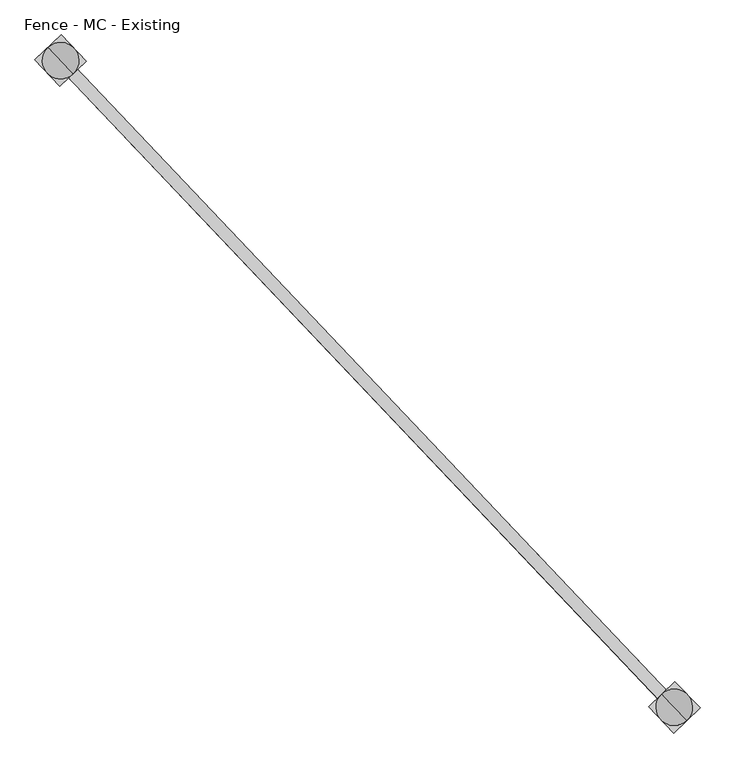
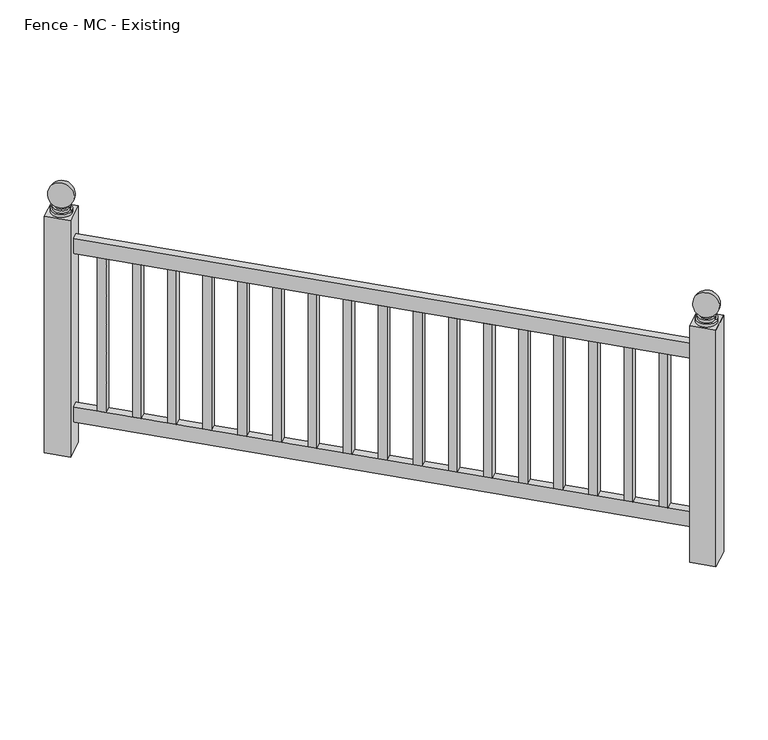
"""IFC4 building model written with IfcOpenShell, lengths in millimetres: railing geometry, Fence - MC - Existing."""

from ifc_helpers import new_model, si_unit, point, frame, origin, place, context, project, spatial, polyline, circle_curve, ellipse_curve, trimmed, outline, extrude, source, transform, mapped, element, save
from ifc_brep_helpers import plane_surface, cylinder_surface, revolved_surface, advanced_brep


def fence_mc_existing_c6e7d695(model_context):
    return source(origin(), model_context, "Body", "SolidModel", [
        extrude(outline(polyline([(119780.4642403, 49233.3136389), (119762.0397312, 49215.8294327), (118476.9505739, 50570.030846), (118495.3750829, 50587.5150522), (119780.4642403, 49233.3136389)])), frame((0.0, 0.0, 27660.6), z_axis=(0.0, 0.0, 1.0), x_axis=(1.0, 0.0, 0.0)), (0.0, 0.0, 1.0), 50.8),
        extrude(outline(polyline([(119780.4642403, 49233.3136389), (119762.0397312, 49215.8294327), (118476.9505739, 50570.030846), (118495.3750829, 50587.5150522), (119780.4642403, 49233.3136389)])), frame((0.0, 0.0, 27089.1), z_axis=(0.0, 0.0, 1.0), x_axis=(1.0, 0.0, 0.0)), (0.0, 0.0, 1.0), 50.8),
        extrude(outline(polyline([(118517.2303407, 50564.4844159), (118498.8058317, 50547.0002097), (118481.3216254, 50565.4247187), (118499.7461345, 50582.9089249), (118517.2303407, 50564.4844159)])), frame((0.0, 0.0, 27139.9), z_axis=(0.0, 0.0, 1.0), x_axis=(1.0, 0.0, 0.0)), (0.0, 0.0, 1.0), 520.7),
        extrude(outline(polyline([(118587.1671656, 50490.7863798), (118568.7426565, 50473.3021736), (118551.2584503, 50491.7266826), (118569.6829593, 50509.2108888), (118587.1671656, 50490.7863798)])), frame((0.0, 0.0, 27139.9), z_axis=(0.0, 0.0, 1.0), x_axis=(1.0, 0.0, 0.0)), (0.0, 0.0, 1.0), 520.7),
        extrude(outline(polyline([(118657.1039905, 50417.0883437), (118638.6794814, 50399.6041375), (118621.1952752, 50418.0286465), (118639.6197842, 50435.5128527), (118657.1039905, 50417.0883437)])), frame((0.0, 0.0, 27139.9), z_axis=(0.0, 0.0, 1.0), x_axis=(1.0, 0.0, 0.0)), (0.0, 0.0, 1.0), 520.7),
        extrude(outline(polyline([(118727.0408153, 50343.3903076), (118708.6163063, 50325.9061014), (118691.1321001, 50344.3306104), (118709.5566091, 50361.8148166), (118727.0408153, 50343.3903076)])), frame((0.0, 0.0, 27139.9), z_axis=(0.0, 0.0, 1.0), x_axis=(1.0, 0.0, 0.0)), (0.0, 0.0, 1.0), 520.7),
        extrude(outline(polyline([(118796.9776402, 50269.6922715), (118778.5531312, 50252.2080653), (118761.068925, 50270.6325743), (118779.493434, 50288.1167806), (118796.9776402, 50269.6922715)])), frame((0.0, 0.0, 27139.9), z_axis=(0.0, 0.0, 1.0), x_axis=(1.0, 0.0, 0.0)), (0.0, 0.0, 1.0), 520.7),
        extrude(outline(polyline([(118866.9144651, 50195.9942354), (118848.4899561, 50178.5100292), (118831.0057499, 50196.9345382), (118849.4302589, 50214.4187445), (118866.9144651, 50195.9942354)])), frame((0.0, 0.0, 27139.9), z_axis=(0.0, 0.0, 1.0), x_axis=(1.0, 0.0, 0.0)), (0.0, 0.0, 1.0), 520.7),
        extrude(outline(polyline([(118936.85129, 50122.2961993), (118918.426781, 50104.8119931), (118900.9425748, 50123.2365021), (118919.3670838, 50140.7207084), (118936.85129, 50122.2961993)])), frame((0.0, 0.0, 27139.9), z_axis=(0.0, 0.0, 1.0), x_axis=(1.0, 0.0, 0.0)), (0.0, 0.0, 1.0), 520.7),
        extrude(outline(polyline([(119006.7881149, 50048.5981632), (118988.3636059, 50031.113957), (118970.8793997, 50049.538466), (118989.3039087, 50067.0226723), (119006.7881149, 50048.5981632)])), frame((0.0, 0.0, 27139.9), z_axis=(0.0, 0.0, 1.0), x_axis=(1.0, 0.0, 0.0)), (0.0, 0.0, 1.0), 520.7),
        extrude(outline(polyline([(119076.7249398, 49974.9001271), (119058.3004308, 49957.4159209), (119040.8162246, 49975.8404299), (119059.2407336, 49993.3246362), (119076.7249398, 49974.9001271)])), frame((0.0, 0.0, 27139.9), z_axis=(0.0, 0.0, 1.0), x_axis=(1.0, 0.0, 0.0)), (0.0, 0.0, 1.0), 520.7),
        extrude(outline(polyline([(119146.6617647, 49901.2020911), (119128.2372557, 49883.7178848), (119110.7530494, 49902.1423939), (119129.1775585, 49919.6266001), (119146.6617647, 49901.2020911)])), frame((0.0, 0.0, 27139.9), z_axis=(0.0, 0.0, 1.0), x_axis=(1.0, 0.0, 0.0)), (0.0, 0.0, 1.0), 520.7),
        extrude(outline(polyline([(119216.5985896, 49827.504055), (119198.1740806, 49810.0198487), (119180.6898743, 49828.4443578), (119199.1143834, 49845.928564), (119216.5985896, 49827.504055)])), frame((0.0, 0.0, 27139.9), z_axis=(0.0, 0.0, 1.0), x_axis=(1.0, 0.0, 0.0)), (0.0, 0.0, 1.0), 520.7),
        extrude(outline(polyline([(119286.5354145, 49753.8060189), (119268.1109054, 49736.3218126), (119250.6266992, 49754.7463217), (119269.0512083, 49772.2305279), (119286.5354145, 49753.8060189)])), frame((0.0, 0.0, 27139.9), z_axis=(0.0, 0.0, 1.0), x_axis=(1.0, 0.0, 0.0)), (0.0, 0.0, 1.0), 520.7),
        extrude(outline(polyline([(119356.4722394, 49680.1079828), (119338.0477303, 49662.6237765), (119320.5635241, 49681.0482856), (119338.9880331, 49698.5324918), (119356.4722394, 49680.1079828)])), frame((0.0, 0.0, 27139.9), z_axis=(0.0, 0.0, 1.0), x_axis=(1.0, 0.0, 0.0)), (0.0, 0.0, 1.0), 520.7),
        extrude(outline(polyline([(119426.4090643, 49606.4099467), (119407.9845552, 49588.9257405), (119390.500349, 49607.3502495), (119408.924858, 49624.8344557), (119426.4090643, 49606.4099467)])), frame((0.0, 0.0, 27139.9), z_axis=(0.0, 0.0, 1.0), x_axis=(1.0, 0.0, 0.0)), (0.0, 0.0, 1.0), 520.7),
        extrude(outline(polyline([(119496.3458891, 49532.7119106), (119477.9213801, 49515.2277044), (119460.4371739, 49533.6522134), (119478.8616829, 49551.1364196), (119496.3458891, 49532.7119106)])), frame((0.0, 0.0, 27139.9), z_axis=(0.0, 0.0, 1.0), x_axis=(1.0, 0.0, 0.0)), (0.0, 0.0, 1.0), 520.7),
        extrude(outline(polyline([(119566.282714, 49459.0138745), (119547.858205, 49441.5296683), (119530.3739988, 49459.9541773), (119548.7985078, 49477.4383835), (119566.282714, 49459.0138745)])), frame((0.0, 0.0, 27139.9), z_axis=(0.0, 0.0, 1.0), x_axis=(1.0, 0.0, 0.0)), (0.0, 0.0, 1.0), 520.7),
        extrude(outline(polyline([(119636.2195389, 49385.3158384), (119617.7950299, 49367.8316322), (119600.3108237, 49386.2561412), (119618.7353327, 49403.7403474), (119636.2195389, 49385.3158384)])), frame((0.0, 0.0, 27139.9), z_axis=(0.0, 0.0, 1.0), x_axis=(1.0, 0.0, 0.0)), (0.0, 0.0, 1.0), 520.7),
        extrude(outline(polyline([(119706.1563638, 49311.6178023), (119687.7318548, 49294.1335961), (119670.2476486, 49312.5581051), (119688.6721576, 49330.0423113), (119706.1563638, 49311.6178023)])), frame((0.0, 0.0, 27139.9), z_axis=(0.0, 0.0, 1.0), x_axis=(1.0, 0.0, 0.0)), (0.0, 0.0, 1.0), 520.7),
        extrude(outline(polyline([(119776.0931887, 49237.9197662), (119757.6686797, 49220.43556), (119740.1844735, 49238.860069), (119758.6089825, 49256.3442752), (119776.0931887, 49237.9197662)])), frame((0.0, 0.0, 27139.9), z_axis=(0.0, 0.0, 1.0), x_axis=(1.0, 0.0, 0.0)), (0.0, 0.0, 1.0), 520.7),
        advanced_brep(
        [(118464.3075706, 50601.8035854, 27787.6), (118508.0180862, 50555.7423128, 27787.6), (118486.1628284, 50578.7729491, 27787.6), (118464.3075706, 50601.8035854, 27797.125), (118508.0180862, 50555.7423128, 27797.125), (118468.6786222, 50597.1974581, 27797.125), (118503.6470346, 50560.3484401, 27797.125), (118468.6786222, 50597.1974581, 27806.65), (118503.6470346, 50560.3484401, 27806.65), (118473.0496737, 50592.5913308, 27806.65), (118499.2759831, 50564.9545673, 27806.65), (118473.0496737, 50592.5913308, 27811.7544321), (118499.2759831, 50564.9545673, 27811.7544321), (118486.1628284, 50578.7729491, 27882.85)],
        [
            (0, 1, circle_curve(frame((118486.1628284, 50578.7729491, 27787.6), z_axis=(0.0, 0.0, -1.0), x_axis=(0.6883545756937386, -0.7253743710123023, 0.0)), 31.75)),
            (1, 2),
            (2, 0),
            (1, 0, circle_curve(frame((118486.1628284, 50578.7729491, 27787.6), z_axis=(0.0, 0.0, -1.0), x_axis=(0.6883545756937386, -0.7253743710123023, 0.0)), 31.75)),
            (0, 3),
            (3, 4, circle_curve(frame((118486.1628284, 50578.7729491, 27797.125), z_axis=(0.0, 0.0, -1.0), x_axis=(0.6883545756937386, -0.7253743710123023, 0.0)), 31.75)),
            (4, 1),
            (4, 3, circle_curve(frame((118486.1628284, 50578.7729491, 27797.125), z_axis=(0.0, 0.0, -1.0), x_axis=(0.6883545756937386, -0.7253743710123023, 0.0)), 31.75)),
            (3, 5),
            (5, 6, circle_curve(frame((118486.1628284, 50578.7729491, 27797.125), z_axis=(0.0, 0.0, -1.0), x_axis=(0.6883545756937386, -0.7253743710123023, 0.0)), 25.4)),
            (6, 4),
            (6, 5, circle_curve(frame((118486.1628284, 50578.7729491, 27797.125), z_axis=(0.0, 0.0, -1.0), x_axis=(0.6883545756937386, -0.7253743710123023, 0.0)), 25.4)),
            (5, 7),
            (7, 8, circle_curve(frame((118486.1628284, 50578.7729491, 27806.65), z_axis=(0.0, 0.0, -1.0), x_axis=(0.6883545756937386, -0.7253743710123023, 0.0)), 25.4)),
            (8, 6),
            (8, 7, circle_curve(frame((118486.1628284, 50578.7729491, 27806.65), z_axis=(0.0, 0.0, -1.0), x_axis=(0.6883545756937386, -0.7253743710123023, 0.0)), 25.4)),
            (7, 9),
            (9, 10, circle_curve(frame((118486.1628284, 50578.7729491, 27806.65), z_axis=(0.0, 0.0, -1.0), x_axis=(0.6883545756937386, -0.7253743710123023, 0.0)), 19.05)),
            (10, 8),
            (10, 9, circle_curve(frame((118486.1628284, 50578.7729491, 27806.65), z_axis=(0.0, 0.0, -1.0), x_axis=(0.6883545756937386, -0.7253743710123023, 0.0)), 19.05)),
            (9, 11),
            (11, 12, circle_curve(frame((118486.1628284, 50578.7729491, 27811.7544321), z_axis=(0.0, 0.0, -1.0), x_axis=(0.6883545756937386, -0.7253743710123023, 0.0)), 19.05)),
            (12, 10),
            (12, 11, circle_curve(frame((118486.1628284, 50578.7729491, 27811.7544321), z_axis=(0.0, 0.0, -1.0), x_axis=(0.6883545756937386, -0.7253743710123023, 0.0)), 19.05)),
            (11, 13, circle_curve(frame((118486.1628284, 50578.7729491, 27844.75), z_axis=(0.7253743710123045, 0.6883545756937363, 0.0), x_axis=(-0.6883545756937363, 0.7253743710123045, 0.0)), 38.1)),
            (13, 12, circle_curve(frame((118486.1628284, 50578.7729491, 27844.75), z_axis=(0.7253743710123023, 0.6883545756937386, 0.0), x_axis=(0.6883545756937386, -0.7253743710123023, 0.0)), 38.1)),
        ],
        [
            plane_surface(frame((118486.1628284, 50578.7729491, 27787.6), z_axis=(0.0, 0.0, -1.0), x_axis=(0.6883545756937386, -0.7253743710123023, 0.0))),
            cylinder_surface(frame((118486.1628284, 50578.7729491, 27787.6), z_axis=(0.0, 0.0, 1.0), x_axis=(0.6883545756937386, -0.7253743710123023, 0.0)), 31.75),
            plane_surface(frame((118486.1628284, 50578.7729491, 27797.125), z_axis=(0.0, 0.0, 1.0), x_axis=(0.6883545756937386, -0.7253743710123023, 0.0))),
            cylinder_surface(frame((118486.1628284, 50578.7729491, 27787.6), z_axis=(0.0, 0.0, 1.0), x_axis=(0.6883545756937386, -0.7253743710123023, 0.0)), 25.4),
            plane_surface(frame((118486.1628284, 50578.7729491, 27806.65), z_axis=(0.0, 0.0, 1.0), x_axis=(0.6883545756937386, -0.7253743710123023, 0.0))),
            cylinder_surface(frame((118486.1628284, 50578.7729491, 27787.6), z_axis=(0.0, 0.0, 1.0), x_axis=(0.6883545756937386, -0.7253743710123023, 0.0)), 19.05),
            revolved_surface(trimmed(ellipse_curve(frame((118486.1628284, 50578.7729491, 27844.75), z_axis=(-0.7253743710123023, -0.6883545756937386, 0.0), x_axis=(0.6883545756937386, -0.7253743710123023, 0.0)), 38.1, 38.1), [point((118499.2759831, 50564.9545673, 27811.7544321))], [point((118486.1628284, 50578.7729491, 27882.85))], True, "CARTESIAN"), (118486.1628284, 50578.7729491, 27787.6), (0.0, 0.0, 1.0)),
        ],
        [
            (0, [[1, 2, 3]]),
            (0, [[-2, 4, -3]]),
            (1, [[-1, 5, 6, 7]]),
            (1, [[-4, -7, 8, -5]]),
            (2, [[-6, 9, 10, 11]]),
            (2, [[-8, -11, 12, -9]]),
            (3, [[-10, 13, 14, 15]]),
            (3, [[-12, -15, 16, -13]]),
            (4, [[-14, 17, 18, 19]]),
            (4, [[-16, -19, 20, -17]]),
            (5, [[-18, 21, 22, 23]]),
            (5, [[-20, -23, 24, -21]]),
            (6, [[-22, 25, 26]]),
            (6, [[-24, -26, -25]]),
        ],
    ),
        extrude(outline(polyline([(118484.7523742, 50524.9098762), (118432.2997555, 50580.1834033), (118487.5732826, 50632.6360219), (118540.0259013, 50577.3624949), (118484.7523742, 50524.9098762)])), frame((0.0, 0.0, 26987.5), z_axis=(0.0, 0.0, 1.0), x_axis=(1.0, 0.0, 0.0)), (0.0, 0.0, 1.0), 800.1),
        advanced_brep(
        [(119749.396728, 49247.6021721, 27787.6), (119793.1072435, 49201.5408996, 27787.6), (119771.2519858, 49224.5715358, 27787.6), (119749.396728, 49247.6021721, 27797.125), (119793.1072435, 49201.5408996, 27797.125), (119753.7677795, 49242.9960449, 27797.125), (119788.736192, 49206.1470268, 27797.125), (119753.7677795, 49242.9960449, 27806.65), (119788.736192, 49206.1470268, 27806.65), (119758.1388311, 49238.3899176, 27806.65), (119784.3651404, 49210.7531541, 27806.65), (119758.1388311, 49238.3899176, 27811.7544321), (119784.3651404, 49210.7531541, 27811.7544321), (119771.2519858, 49224.5715358, 27882.85)],
        [
            (0, 1, circle_curve(frame((119771.2519858, 49224.5715358, 27787.6), z_axis=(0.0, 0.0, -1.0), x_axis=(0.6883545756937386, -0.7253743710123023, 0.0)), 31.75)),
            (1, 2),
            (2, 0),
            (1, 0, circle_curve(frame((119771.2519858, 49224.5715358, 27787.6), z_axis=(0.0, 0.0, -1.0), x_axis=(0.6883545756937386, -0.7253743710123023, 0.0)), 31.75)),
            (0, 3),
            (3, 4, circle_curve(frame((119771.2519858, 49224.5715358, 27797.125), z_axis=(0.0, 0.0, -1.0), x_axis=(0.6883545756937386, -0.7253743710123023, 0.0)), 31.75)),
            (4, 1),
            (4, 3, circle_curve(frame((119771.2519858, 49224.5715358, 27797.125), z_axis=(0.0, 0.0, -1.0), x_axis=(0.6883545756937386, -0.7253743710123023, 0.0)), 31.75)),
            (3, 5),
            (5, 6, circle_curve(frame((119771.2519858, 49224.5715358, 27797.125), z_axis=(0.0, 0.0, -1.0), x_axis=(0.6883545756937386, -0.7253743710123023, 0.0)), 25.4)),
            (6, 4),
            (6, 5, circle_curve(frame((119771.2519858, 49224.5715358, 27797.125), z_axis=(0.0, 0.0, -1.0), x_axis=(0.6883545756937386, -0.7253743710123023, 0.0)), 25.4)),
            (5, 7),
            (7, 8, circle_curve(frame((119771.2519858, 49224.5715358, 27806.65), z_axis=(0.0, 0.0, -1.0), x_axis=(0.6883545756937386, -0.7253743710123023, 0.0)), 25.4)),
            (8, 6),
            (8, 7, circle_curve(frame((119771.2519858, 49224.5715358, 27806.65), z_axis=(0.0, 0.0, -1.0), x_axis=(0.6883545756937386, -0.7253743710123023, 0.0)), 25.4)),
            (7, 9),
            (9, 10, circle_curve(frame((119771.2519858, 49224.5715358, 27806.65), z_axis=(0.0, 0.0, -1.0), x_axis=(0.6883545756937386, -0.7253743710123023, 0.0)), 19.05)),
            (10, 8),
            (10, 9, circle_curve(frame((119771.2519858, 49224.5715358, 27806.65), z_axis=(0.0, 0.0, -1.0), x_axis=(0.6883545756937386, -0.7253743710123023, 0.0)), 19.05)),
            (9, 11),
            (11, 12, circle_curve(frame((119771.2519858, 49224.5715358, 27811.7544321), z_axis=(0.0, 0.0, -1.0), x_axis=(0.6883545756937386, -0.7253743710123023, 0.0)), 19.05)),
            (12, 10),
            (12, 11, circle_curve(frame((119771.2519858, 49224.5715358, 27811.7544321), z_axis=(0.0, 0.0, -1.0), x_axis=(0.6883545756937386, -0.7253743710123023, 0.0)), 19.05)),
            (11, 13, circle_curve(frame((119771.2519858, 49224.5715358, 27844.75), z_axis=(0.7253743710123045, 0.6883545756937363, 0.0), x_axis=(-0.6883545756937363, 0.7253743710123045, 0.0)), 38.1)),
            (13, 12, circle_curve(frame((119771.2519858, 49224.5715358, 27844.75), z_axis=(0.7253743710123023, 0.6883545756937386, 0.0), x_axis=(0.6883545756937386, -0.7253743710123023, 0.0)), 38.1)),
        ],
        [
            plane_surface(frame((119771.2519858, 49224.5715358, 27787.6), z_axis=(0.0, 0.0, -1.0), x_axis=(0.6883545756937386, -0.7253743710123023, 0.0))),
            cylinder_surface(frame((119771.2519858, 49224.5715358, 27787.6), z_axis=(0.0, 0.0, 1.0), x_axis=(0.6883545756937386, -0.7253743710123023, 0.0)), 31.75),
            plane_surface(frame((119771.2519858, 49224.5715358, 27797.125), z_axis=(0.0, 0.0, 1.0), x_axis=(0.6883545756937386, -0.7253743710123023, 0.0))),
            cylinder_surface(frame((119771.2519858, 49224.5715358, 27787.6), z_axis=(0.0, 0.0, 1.0), x_axis=(0.6883545756937386, -0.7253743710123023, 0.0)), 25.4),
            plane_surface(frame((119771.2519858, 49224.5715358, 27806.65), z_axis=(0.0, 0.0, 1.0), x_axis=(0.6883545756937386, -0.7253743710123023, 0.0))),
            cylinder_surface(frame((119771.2519858, 49224.5715358, 27787.6), z_axis=(0.0, 0.0, 1.0), x_axis=(0.6883545756937386, -0.7253743710123023, 0.0)), 19.05),
            revolved_surface(trimmed(ellipse_curve(frame((119771.2519858, 49224.5715358, 27844.75), z_axis=(-0.7253743710123023, -0.6883545756937386, 0.0), x_axis=(0.6883545756937386, -0.7253743710123023, 0.0)), 38.1, 38.1), [point((119784.3651404, 49210.7531541, 27811.7544321))], [point((119771.2519858, 49224.5715358, 27882.85))], True, "CARTESIAN"), (119771.2519858, 49224.5715358, 27787.6), (0.0, 0.0, 1.0)),
        ],
        [
            (0, [[1, 2, 3]]),
            (0, [[-2, 4, -3]]),
            (1, [[-1, 5, 6, 7]]),
            (1, [[-4, -7, 8, -5]]),
            (2, [[-6, 9, 10, 11]]),
            (2, [[-8, -11, 12, -9]]),
            (3, [[-10, 13, 14, 15]]),
            (3, [[-12, -15, 16, -13]]),
            (4, [[-14, 17, 18, 19]]),
            (4, [[-16, -19, 20, -17]]),
            (5, [[-18, 21, 22, 23]]),
            (5, [[-20, -23, 24, -21]]),
            (6, [[-22, 25, 26]]),
            (6, [[-24, -26, -25]]),
        ],
    ),
        extrude(outline(polyline([(119769.8415315, 49170.708463), (119717.3889129, 49225.98199), (119772.66244, 49278.4346087), (119825.1150586, 49223.1610816), (119769.8415315, 49170.708463)])), frame((0.0, 0.0, 26987.5), z_axis=(0.0, 0.0, 1.0), x_axis=(1.0, 0.0, 0.0)), (0.0, 0.0, 1.0), 800.1),
    ])


if __name__ == "__main__":
    model = new_model("IFC4")
    model_context = context("Model", 3, world=origin())
    ifc_project = project(units=[si_unit("LENGTHUNIT", "METRE", prefix="MILLI")], contexts=[model_context])
    site = spatial("IfcSite", under=ifc_project)
    building = spatial("IfcBuilding", under=site)
    placement = place(None, origin())
    fence_mc_existing_shape = fence_mc_existing_c6e7d695(model_context)
    element("IfcRailing", 1, ObjectType="Fence - MC - Existing", at=placement, inside=building, context=model_context, shape_type="MappedRepresentation", body=[
        mapped(fence_mc_existing_shape, transform((0.0, 0.0, 0.0), x_axis=(1.0, 0.0, 0.0), y_axis=(0.0, 1.0, 0.0), z_axis=(0.0, 0.0, 1.0))),
    ])
    save(model, "model.ifc")
